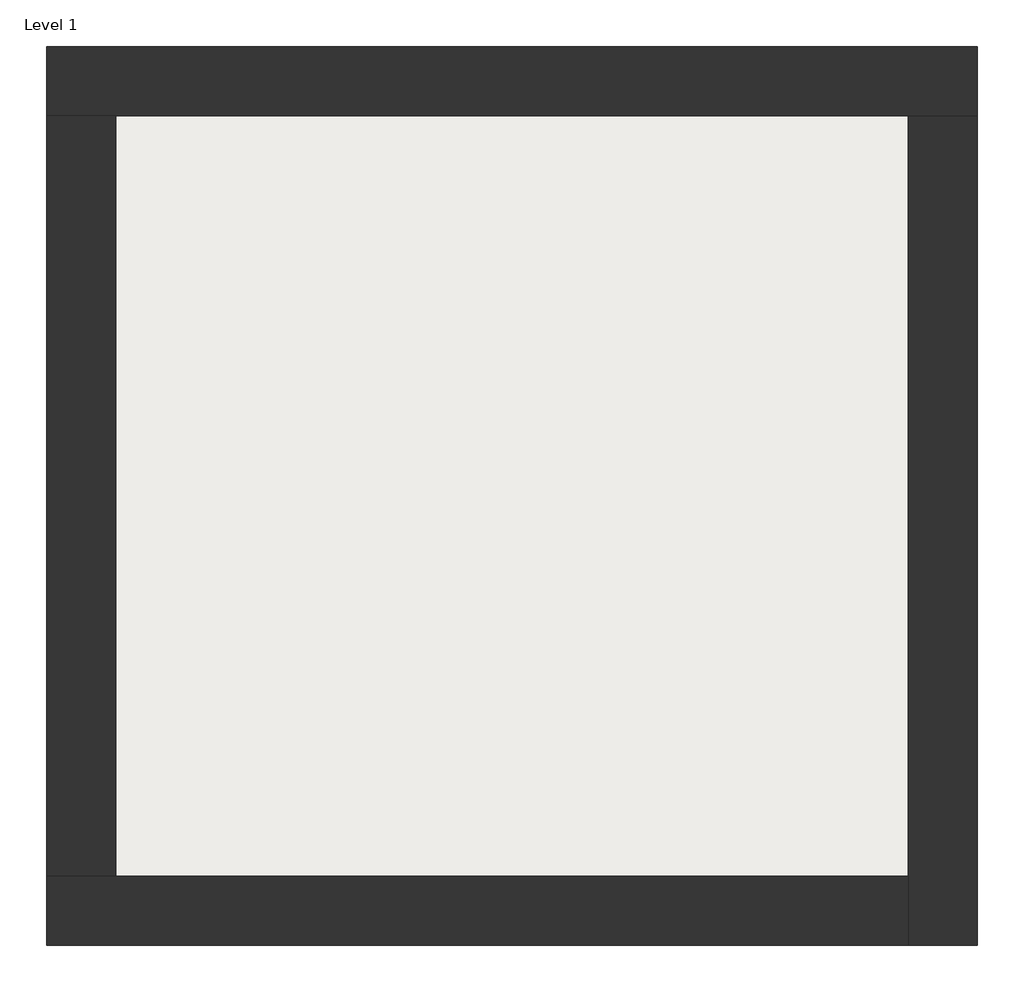
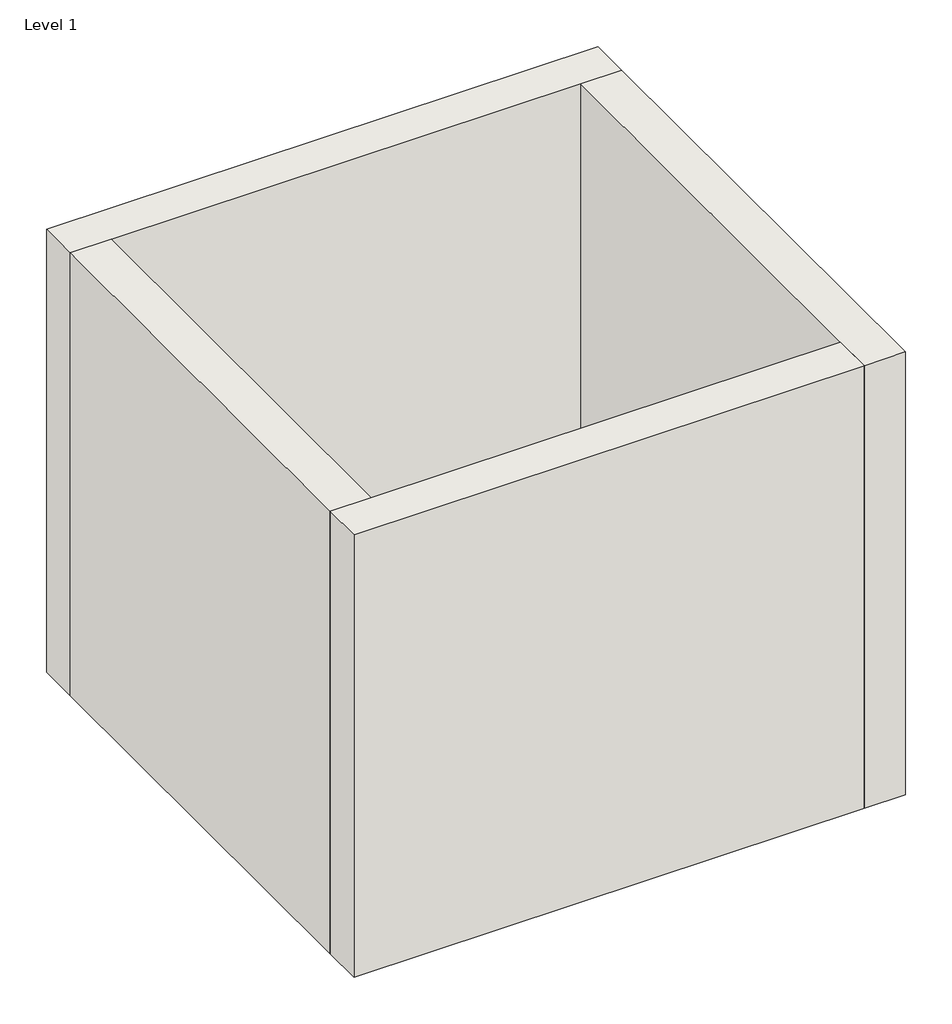
# One storey: 4 walls, 1 slab.
"""IFC4 building model written with IfcOpenShell, lengths in millimetres."""

from ifc_helpers import new_model, si_unit, frame, origin, origin_with_axes, place, context, project, spatial, polyline, outline, extrude, faceted_brep, element, save

model = new_model("IFC4")

# Units and contexts
model_context = context("Model", 3, world=origin())
ifc_project = project(units=[si_unit("LENGTHUNIT", "METRE", prefix="MILLI")], contexts=[model_context])

# Site, building, storey
site = spatial("IfcSite", under=ifc_project)
building = spatial("IfcBuilding", under=site)
storey = spatial("IfcBuildingStorey", under=building, Name="Level 1", Elevation=0.0)

# Slab
placement = place(None, origin())
element("IfcSlab", 1, at=placement, inside=storey, context=model_context, shape_type="SweptSolid", body=[
    extrude(outline(polyline([(-10869.3573003, 6934.2750283), (-10869.3573003, 3058.2750283), (-14907.8573003, 3058.2750283), (-14907.8573003, 6934.2750283), (-10869.3573003, 6934.2750283)])), frame((0.0, 0.0, 19.8), z_axis=(0.0, 0.0, 1.0), x_axis=(1.0, 0.0, 0.0)), (0.0, 0.0, 1.0), 100.2),
])

# Walls
element("IfcWall", 2, ObjectType="Exterior - Brick on Mtl. Stud", at=placement, inside=storey, context=model_context, shape_type="Brep", body=[
    faceted_brep([(-15244.8573003, 6921.2750283, 0.0), (-14894.8573003, 6921.2750283, 0.0), (-10882.3573003, 6921.2750283, 0.0), (-10532.3573003, 6921.2750283, 0.0), (-10532.3573003, 6921.2750283, 4000.0), (-10882.3573003, 6921.2750283, 4000.0), (-14894.8573003, 6921.2750283, 4000.0), (-15244.8573003, 6921.2750283, 4000.0), (-15244.8573003, 7271.2750283, 0.0), (-15244.8573003, 7271.2750283, 4000.0), (-10532.3573003, 7271.2750283, 4000.0), (-10532.3573003, 7271.2750283, 0.0)], [[[0, 1, 2, 3, 4, 5, 6, 7]], [[8, 9, 10, 11]], [[3, 2, 1, 0, 8, 11]], [[7, 6, 5, 4, 10, 9]], [[0, 7, 9, 8]], [[4, 3, 11, 10]]]),
])
element("IfcWall", 3, ObjectType="Exterior - Brick on Mtl. Stud", at=placement, inside=storey, context=model_context, shape_type="Brep", body=[
    faceted_brep([(-10882.3573003, 6921.2750283, 0.0), (-10882.3573003, 3071.2750283, 0.0), (-10882.3573003, 2721.2750283, 0.0), (-10882.3573003, 2721.2750283, 4000.0), (-10882.3573003, 3071.2750283, 4000.0), (-10882.3573003, 6921.2750283, 4000.0), (-10532.3573003, 6921.2750283, 0.0), (-10532.3573003, 6921.2750283, 4000.0), (-10532.3573003, 2721.2750283, 4000.0), (-10532.3573003, 2721.2750283, 0.0)], [[[0, 1, 2, 3, 4, 5]], [[6, 7, 8, 9]], [[2, 1, 0, 6, 9]], [[5, 4, 3, 8, 7]], [[3, 2, 9, 8]], [[0, 5, 7, 6]]]),
])
element("IfcWall", 4, ObjectType="Exterior - Brick on Mtl. Stud", at=placement, inside=storey, context=model_context, shape_type="Brep", body=[
    faceted_brep([(-10882.3573003, 3071.2750283, 0.0), (-14894.8573003, 3071.2750283, 0.0), (-15244.8573003, 3071.2750283, 0.0), (-15244.8573003, 3071.2750283, 4000.0), (-14894.8573003, 3071.2750283, 4000.0), (-10882.3573003, 3071.2750283, 4000.0), (-10882.3573003, 2721.2750283, 0.0), (-10882.3573003, 2721.2750283, 4000.0), (-15244.8573003, 2721.2750283, 4000.0), (-15244.8573003, 2721.2750283, 0.0)], [[[0, 1, 2, 3, 4, 5]], [[6, 7, 8, 9]], [[2, 1, 0, 6, 9]], [[5, 4, 3, 8, 7]], [[3, 2, 9, 8]], [[0, 5, 7, 6]]]),
])
element("IfcWall", 5, ObjectType="Exterior - Brick on Mtl. Stud", at=placement, inside=storey, context=model_context, shape_type="SweptSolid", body=[
    extrude(outline(polyline([(-14894.8573003, 6921.2750283), (-14894.8573003, 3071.2750283), (-15244.8573003, 3071.2750283), (-15244.8573003, 6921.2750283), (-14894.8573003, 6921.2750283)])), origin_with_axes(), (0.0, 0.0, 1.0), 4000.0),
])

save(model, "model.ifc")
